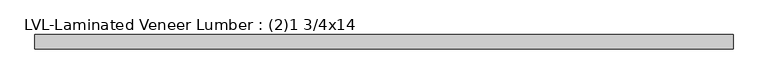
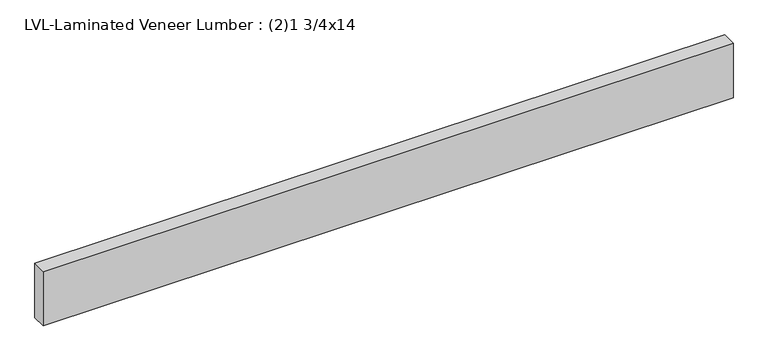
"""IFC4 building model written with IfcOpenShell, lengths in millimetres: beam geometry, LVL-Laminated Veneer Lumber : (2)1 3/4x14."""

from ifc_helpers import new_model, si_unit, frame, origin, place, context, project, spatial, polyline, outline, extrude, source, transform, mapped, element, save


def lvl_laminated_veneer_lumber_2_1_3_4x14_2e35021f(model_context):
    return source(origin(), model_context, "Body", "SweptSolid", [
        extrude(outline(polyline([(2133.6, 44.45), (2133.6, -44.45), (-2133.6, -44.45), (-2133.6, 44.45), (2133.6, 44.45)])), frame((0.0, 0.0, -177.8), z_axis=(0.0, 0.0, 1.0), x_axis=(1.0, 0.0, 0.0)), (0.0, 0.0, 1.0), 355.6),
    ])


if __name__ == "__main__":
    model = new_model("IFC4")
    model_context = context("Model", 3, world=origin())
    ifc_project = project(units=[si_unit("LENGTHUNIT", "METRE", prefix="MILLI")], contexts=[model_context])
    site = spatial("IfcSite", under=ifc_project)
    building = spatial("IfcBuilding", under=site)
    placement = place(None, origin())
    lvl_laminated_veneer_lumber_2_1_3_4x14_shape = lvl_laminated_veneer_lumber_2_1_3_4x14_2e35021f(model_context)
    element("IfcBeam", 1, ObjectType="LVL-Laminated Veneer Lumber : (2)1 3/4x14", at=placement, inside=building, context=model_context, shape_type="MappedRepresentation", body=[
        mapped(lvl_laminated_veneer_lumber_2_1_3_4x14_shape, transform((0.0, 0.0, 0.0), x_axis=(1.0, 0.0, 0.0), y_axis=(0.0, 1.0, 0.0), z_axis=(0.0, 0.0, 1.0))),
    ])
    save(model, "model.ifc")
